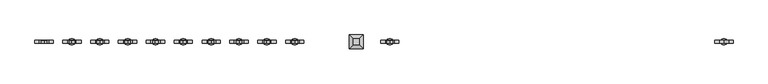
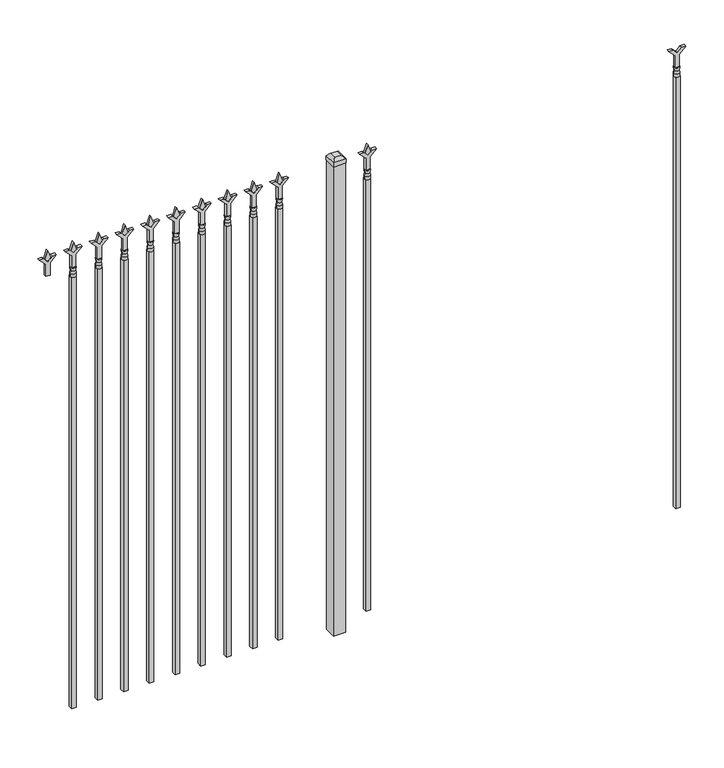
"""IFC4 building model written with IfcOpenShell, lengths in millimetres: railing geometry."""

from ifc_helpers import new_model, si_unit, frame, origin, origin_with_axes, place, context, project, spatial, polyline, circle_curve, outline, extrude, faceted_brep, source, transform, mapped, element, save
from ifc_brep_helpers import plane_surface, cylinder_surface, revolved_surface, advanced_brep


def railing_7ff1a3d9(model_context):
    return source(origin(), model_context, "Body", "SolidModel", [
        extrude(outline(polyline([(2022.475, -58318.749337), (2076.7457378, -58318.749337), (2103.9355122, -58291.5595625), (2103.9355122, -58309.5200747), (2085.975, -58327.480587), (2103.9355122, -58345.4410992), (2103.9355122, -58363.4016114), (2076.7457378, -58336.211837), (2022.475, -58336.211837), (2022.475, -58318.749337)])), frame((0.0, -6737.6070174, 0.0), z_axis=(0.0, 1.0, 0.0), x_axis=(0.0, 0.0, 1.0)), (0.0, 0.0, 1.0), 12.7),
        advanced_brep(
        [(-58315.574337, -6731.2570174, 1993.9), (-58339.386837, -6731.2570174, 1993.9), (-58339.386837, -6731.2570174, 1981.2), (-58315.574337, -6731.2570174, 1981.2), (-58317.7796688, -6731.2570174, 2006.4070585), (-58337.1815051, -6731.2570174, 2006.4070585), (-58315.574337, -6731.2570174, 2022.475), (-58339.386837, -6731.2570174, 2022.475), (-58327.480587, -6731.2570174, 2022.475), (-58327.480587, -6731.2570174, 1981.2)],
        [
            (0, 1, circle_curve(frame((-58327.480587, -6731.2570174, 1993.9), z_axis=(0.0, 0.0, -1.0), x_axis=(-1.0, 0.0, 0.0)), 11.90625)),
            (1, 2),
            (2, 3, circle_curve(frame((-58327.480587, -6731.2570174, 1981.2), z_axis=(0.0, 0.0, 1.0), x_axis=(-1.0, 0.0, 0.0)), 11.90625)),
            (3, 0),
            (1, 0, circle_curve(frame((-58327.480587, -6731.2570174, 1993.9), z_axis=(0.0, 0.0, -1.0), x_axis=(-1.0, 0.0, 0.0)), 11.90625)),
            (3, 2, circle_curve(frame((-58327.480587, -6731.2570174, 1981.2), z_axis=(0.0, 0.0, 1.0), x_axis=(-1.0, 0.0, 0.0)), 11.90625)),
            (4, 5, circle_curve(frame((-58327.480587, -6731.2570174, 2006.4070585), z_axis=(0.0, 0.0, -1.0), x_axis=(-1.0, 0.0, 0.0)), 9.7009181)),
            (5, 1),
            (0, 4),
            (5, 4, circle_curve(frame((-58327.480587, -6731.2570174, 2006.4070585), z_axis=(0.0, 0.0, -1.0), x_axis=(-1.0, 0.0, 0.0)), 9.7009181)),
            (6, 7, circle_curve(frame((-58327.480587, -6731.2570174, 2022.475), z_axis=(0.0, 0.0, -1.0), x_axis=(-1.0, 0.0, 0.0)), 11.90625)),
            (7, 5),
            (4, 6),
            (7, 6, circle_curve(frame((-58327.480587, -6731.2570174, 2022.475), z_axis=(0.0, 0.0, -1.0), x_axis=(-1.0, 0.0, 0.0)), 11.90625)),
            (8, 7),
            (6, 8),
            (2, 9),
            (9, 3),
        ],
        [
            cylinder_surface(frame((-58327.480587, -6731.2570174, 1981.2), z_axis=(0.0, 0.0, 1.0), x_axis=(-1.0, 0.0, 0.0)), 11.90625),
            revolved_surface(polyline([(-58339.386837, -6731.2570174, 1993.9), (-58337.1815051, -6731.2570174, 2006.4070585)]), (-58327.480587, -6731.2570174, 1981.2), (0.0, 0.0, 1.0)),
            revolved_surface(polyline([(-58337.1815051, -6731.2570174, 2006.4070585), (-58339.386837, -6731.2570174, 2022.475)]), (-58327.480587, -6731.2570174, 1981.2), (0.0, 0.0, 1.0)),
            plane_surface(frame((-58327.480587, -6731.2570174, 2022.475), z_axis=(0.0, 0.0, 1.0), x_axis=(-1.0, 0.0, 0.0))),
            plane_surface(frame((-58327.480587, -6731.2570174, 1981.2), z_axis=(0.0, 0.0, -1.0), x_axis=(-1.0, 0.0, 0.0))),
        ],
        [
            (0, [[1, 2, 3, 4]]),
            (0, [[5, -4, 6, -2]]),
            (1, [[7, 8, -1, 9]]),
            (1, [[10, -9, -5, -8]]),
            (2, [[11, 12, -7, 13]]),
            (2, [[14, -13, -10, -12]]),
            (3, [[15, -11, 16]]),
            (3, [[-16, -14, -15]]),
            (4, [[-3, 17, 18]]),
            (4, [[-6, -18, -17]]),
        ],
    ),
        extrude(outline(polyline([(-58337.005587, -6721.7320174), (-58317.955587, -6721.7320174), (-58317.955587, -6740.7820174), (-58337.005587, -6740.7820174), (-58337.005587, -6721.7320174)])), frame((0.0, 0.0, 50.8), z_axis=(0.0, 0.0, 1.0), x_axis=(1.0, 0.0, 0.0)), (0.0, 0.0, 1.0), 1930.4),
        extrude(outline(polyline([(2097.88125, -59626.849337), (2133.6, -59638.755587), (2097.88125, -59650.661837), (2085.975, -59638.755587), (2097.88125, -59626.849337)])), frame((0.0, -6736.0195174, 0.0), z_axis=(0.0, 1.0, 0.0), x_axis=(0.0, 0.0, 1.0)), (0.0, 0.0, 1.0), 9.525),
        extrude(outline(polyline([(2022.475, -59630.024337), (2076.7457378, -59630.024337), (2103.9355122, -59602.8345625), (2103.9355122, -59620.7950747), (2085.975, -59638.755587), (2103.9355122, -59656.7160992), (2103.9355122, -59674.6766114), (2076.7457378, -59647.486837), (2022.475, -59647.486837), (2022.475, -59630.024337)])), frame((0.0, -6737.6070174, 0.0), z_axis=(0.0, 1.0, 0.0), x_axis=(0.0, 0.0, 1.0)), (0.0, 0.0, 1.0), 12.7),
        advanced_brep(
        [(-59626.849337, -6731.2570174, 1993.9), (-59650.661837, -6731.2570174, 1993.9), (-59650.661837, -6731.2570174, 1981.2), (-59626.849337, -6731.2570174, 1981.2), (-59629.0546688, -6731.2570174, 2006.4070585), (-59648.4565051, -6731.2570174, 2006.4070585), (-59626.849337, -6731.2570174, 2022.475), (-59650.661837, -6731.2570174, 2022.475), (-59638.755587, -6731.2570174, 2022.475), (-59638.755587, -6731.2570174, 1981.2)],
        [
            (0, 1, circle_curve(frame((-59638.755587, -6731.2570174, 1993.9), z_axis=(0.0, 0.0, -1.0), x_axis=(-1.0, 0.0, 0.0)), 11.90625)),
            (1, 2),
            (2, 3, circle_curve(frame((-59638.755587, -6731.2570174, 1981.2), z_axis=(0.0, 0.0, 1.0), x_axis=(-1.0, 0.0, 0.0)), 11.90625)),
            (3, 0),
            (1, 0, circle_curve(frame((-59638.755587, -6731.2570174, 1993.9), z_axis=(0.0, 0.0, -1.0), x_axis=(-1.0, 0.0, 0.0)), 11.90625)),
            (3, 2, circle_curve(frame((-59638.755587, -6731.2570174, 1981.2), z_axis=(0.0, 0.0, 1.0), x_axis=(-1.0, 0.0, 0.0)), 11.90625)),
            (4, 5, circle_curve(frame((-59638.755587, -6731.2570174, 2006.4070585), z_axis=(0.0, 0.0, -1.0), x_axis=(-1.0, 0.0, 0.0)), 9.7009181)),
            (5, 1),
            (0, 4),
            (5, 4, circle_curve(frame((-59638.755587, -6731.2570174, 2006.4070585), z_axis=(0.0, 0.0, -1.0), x_axis=(-1.0, 0.0, 0.0)), 9.7009181)),
            (6, 7, circle_curve(frame((-59638.755587, -6731.2570174, 2022.475), z_axis=(0.0, 0.0, -1.0), x_axis=(-1.0, 0.0, 0.0)), 11.90625)),
            (7, 5),
            (4, 6),
            (7, 6, circle_curve(frame((-59638.755587, -6731.2570174, 2022.475), z_axis=(0.0, 0.0, -1.0), x_axis=(-1.0, 0.0, 0.0)), 11.90625)),
            (8, 7),
            (6, 8),
            (2, 9),
            (9, 3),
        ],
        [
            cylinder_surface(frame((-59638.755587, -6731.2570174, 1981.2), z_axis=(0.0, 0.0, 1.0), x_axis=(-1.0, 0.0, 0.0)), 11.90625),
            revolved_surface(polyline([(-59650.661837, -6731.2570174, 1993.9), (-59648.4565051, -6731.2570174, 2006.4070585)]), (-59638.755587, -6731.2570174, 1981.2), (0.0, 0.0, 1.0)),
            revolved_surface(polyline([(-59648.4565051, -6731.2570174, 2006.4070585), (-59650.661837, -6731.2570174, 2022.475)]), (-59638.755587, -6731.2570174, 1981.2), (0.0, 0.0, 1.0)),
            plane_surface(frame((-59638.755587, -6731.2570174, 2022.475), z_axis=(0.0, 0.0, 1.0), x_axis=(-1.0, 0.0, 0.0))),
            plane_surface(frame((-59638.755587, -6731.2570174, 1981.2), z_axis=(0.0, 0.0, -1.0), x_axis=(-1.0, 0.0, 0.0))),
        ],
        [
            (0, [[1, 2, 3, 4]]),
            (0, [[5, -4, 6, -2]]),
            (1, [[7, 8, -1, 9]]),
            (1, [[10, -9, -5, -8]]),
            (2, [[11, 12, -7, 13]]),
            (2, [[14, -13, -10, -12]]),
            (3, [[15, -11, 16]]),
            (3, [[-16, -14, -15]]),
            (4, [[-3, 17, 18]]),
            (4, [[-6, -18, -17]]),
        ],
    ),
        extrude(outline(polyline([(-59648.280587, -6721.7320174), (-59629.230587, -6721.7320174), (-59629.230587, -6740.7820174), (-59648.280587, -6740.7820174), (-59648.280587, -6721.7320174)])), frame((0.0, 0.0, 50.8), z_axis=(0.0, 0.0, 1.0), x_axis=(1.0, 0.0, 0.0)), (0.0, 0.0, 1.0), 1930.4),
        extrude(outline(polyline([(-59745.118087, -6705.8570174), (-59745.118087, -6756.6570174), (-59795.918087, -6756.6570174), (-59795.918087, -6705.8570174), (-59745.118087, -6705.8570174)])), origin_with_axes(), (0.0, 0.0, 1.0), 2101.85),
        faceted_brep([(-59797.505587, -6704.2695174, 2120.9), (-59797.505587, -6704.2695174, 2101.85), (-59797.505587, -6758.2445174, 2101.85), (-59797.505587, -6758.2445174, 2120.9), (-59784.805587, -6716.9695174, 2133.6), (-59784.805587, -6745.5445174, 2133.6), (-59743.530587, -6758.2445174, 2101.85), (-59743.530587, -6758.2445174, 2120.9), (-59756.230587, -6745.5445174, 2133.6), (-59743.530587, -6704.2695174, 2101.85), (-59743.530587, -6704.2695174, 2120.9), (-59756.230587, -6716.9695174, 2133.6)], [[[0, 1, 2, 3]], [[4, 0, 3, 5]], [[3, 2, 6, 7]], [[5, 3, 7, 8]], [[7, 6, 9, 10]], [[8, 7, 10, 11]], [[10, 9, 1, 0]], [[11, 10, 0, 4]], [[5, 8, 11, 4]], [[1, 9, 6, 2]]]),
        extrude(outline(polyline([(2097.88125, -59999.6472536), (2133.6, -60011.5535036), (2097.88125, -60023.4597536), (2085.975, -60011.5535036), (2097.88125, -59999.6472536)])), frame((0.0, -6736.0195174, 0.0), z_axis=(0.0, 1.0, 0.0), x_axis=(0.0, 0.0, 1.0)), (0.0, 0.0, 1.0), 9.525),
        extrude(outline(polyline([(2022.475, -60002.8222536), (2076.7457378, -60002.8222536), (2103.9355122, -59975.6324791), (2103.9355122, -59993.5929914), (2085.975, -60011.5535036), (2103.9355122, -60029.5140159), (2103.9355122, -60047.4745281), (2076.7457378, -60020.2847536), (2022.475, -60020.2847536), (2022.475, -60002.8222536)])), frame((0.0, -6737.6070174, 0.0), z_axis=(0.0, 1.0, 0.0), x_axis=(0.0, 0.0, 1.0)), (0.0, 0.0, 1.0), 12.7),
        advanced_brep(
        [(-59999.6472536, -6731.2570174, 1993.9), (-60023.4597536, -6731.2570174, 1993.9), (-60023.4597536, -6731.2570174, 1981.2), (-59999.6472536, -6731.2570174, 1981.2), (-60001.8525855, -6731.2570174, 2006.4070585), (-60021.2544218, -6731.2570174, 2006.4070585), (-59999.6472536, -6731.2570174, 2022.475), (-60023.4597536, -6731.2570174, 2022.475), (-60011.5535036, -6731.2570174, 2022.475), (-60011.5535036, -6731.2570174, 1981.2)],
        [
            (0, 1, circle_curve(frame((-60011.5535036, -6731.2570174, 1993.9), z_axis=(0.0, 0.0, -1.0), x_axis=(-1.0, 0.0, 0.0)), 11.90625)),
            (1, 2),
            (2, 3, circle_curve(frame((-60011.5535036, -6731.2570174, 1981.2), z_axis=(0.0, 0.0, 1.0), x_axis=(-1.0, 0.0, 0.0)), 11.90625)),
            (3, 0),
            (1, 0, circle_curve(frame((-60011.5535036, -6731.2570174, 1993.9), z_axis=(0.0, 0.0, -1.0), x_axis=(-1.0, 0.0, 0.0)), 11.90625)),
            (3, 2, circle_curve(frame((-60011.5535036, -6731.2570174, 1981.2), z_axis=(0.0, 0.0, 1.0), x_axis=(-1.0, 0.0, 0.0)), 11.90625)),
            (4, 5, circle_curve(frame((-60011.5535036, -6731.2570174, 2006.4070585), z_axis=(0.0, 0.0, -1.0), x_axis=(-1.0, 0.0, 0.0)), 9.7009181)),
            (5, 1),
            (0, 4),
            (5, 4, circle_curve(frame((-60011.5535036, -6731.2570174, 2006.4070585), z_axis=(0.0, 0.0, -1.0), x_axis=(-1.0, 0.0, 0.0)), 9.7009181)),
            (6, 7, circle_curve(frame((-60011.5535036, -6731.2570174, 2022.475), z_axis=(0.0, 0.0, -1.0), x_axis=(-1.0, 0.0, 0.0)), 11.90625)),
            (7, 5),
            (4, 6),
            (7, 6, circle_curve(frame((-60011.5535036, -6731.2570174, 2022.475), z_axis=(0.0, 0.0, -1.0), x_axis=(-1.0, 0.0, 0.0)), 11.90625)),
            (8, 7),
            (6, 8),
            (2, 9),
            (9, 3),
        ],
        [
            cylinder_surface(frame((-60011.5535036, -6731.2570174, 1981.2), z_axis=(0.0, 0.0, 1.0), x_axis=(-1.0, 0.0, 0.0)), 11.90625),
            revolved_surface(polyline([(-60023.4597536, -6731.2570174, 1993.9), (-60021.2544218, -6731.2570174, 2006.4070585)]), (-60011.5535036, -6731.2570174, 1981.2), (0.0, 0.0, 1.0)),
            revolved_surface(polyline([(-60021.2544218, -6731.2570174, 2006.4070585), (-60023.4597536, -6731.2570174, 2022.475)]), (-60011.5535036, -6731.2570174, 1981.2), (0.0, 0.0, 1.0)),
            plane_surface(frame((-60011.5535036, -6731.2570174, 2022.475), z_axis=(0.0, 0.0, 1.0), x_axis=(-1.0, 0.0, 0.0))),
            plane_surface(frame((-60011.5535036, -6731.2570174, 1981.2), z_axis=(0.0, 0.0, -1.0), x_axis=(-1.0, 0.0, 0.0))),
        ],
        [
            (0, [[1, 2, 3, 4]]),
            (0, [[5, -4, 6, -2]]),
            (1, [[7, 8, -1, 9]]),
            (1, [[10, -9, -5, -8]]),
            (2, [[11, 12, -7, 13]]),
            (2, [[14, -13, -10, -12]]),
            (3, [[15, -11, 16]]),
            (3, [[-16, -14, -15]]),
            (4, [[-3, 17, 18]]),
            (4, [[-6, -18, -17]]),
        ],
    ),
        extrude(outline(polyline([(-60021.0785036, -6721.7320174), (-60002.0285036, -6721.7320174), (-60002.0285036, -6740.7820174), (-60021.0785036, -6740.7820174), (-60021.0785036, -6721.7320174)])), frame((0.0, 0.0, 50.8), z_axis=(0.0, 0.0, 1.0), x_axis=(1.0, 0.0, 0.0)), (0.0, 0.0, 1.0), 1930.4),
        extrude(outline(polyline([(2097.88125, -60108.9201703), (2133.6, -60120.8264203), (2097.88125, -60132.7326703), (2085.975, -60120.8264203), (2097.88125, -60108.9201703)])), frame((0.0, -6736.0195174, 0.0), z_axis=(0.0, 1.0, 0.0), x_axis=(0.0, 0.0, 1.0)), (0.0, 0.0, 1.0), 9.525),
        extrude(outline(polyline([(2022.475, -60112.0951703), (2076.7457378, -60112.0951703), (2103.9355122, -60084.9053958), (2103.9355122, -60102.8659081), (2085.975, -60120.8264203), (2103.9355122, -60138.7869325), (2103.9355122, -60156.7474448), (2076.7457378, -60129.5576703), (2022.475, -60129.5576703), (2022.475, -60112.0951703)])), frame((0.0, -6737.6070174, 0.0), z_axis=(0.0, 1.0, 0.0), x_axis=(0.0, 0.0, 1.0)), (0.0, 0.0, 1.0), 12.7),
        advanced_brep(
        [(-60108.9201703, -6731.2570174, 1993.9), (-60132.7326703, -6731.2570174, 1993.9), (-60132.7326703, -6731.2570174, 1981.2), (-60108.9201703, -6731.2570174, 1981.2), (-60111.1255022, -6731.2570174, 2006.4070585), (-60130.5273384, -6731.2570174, 2006.4070585), (-60108.9201703, -6731.2570174, 2022.475), (-60132.7326703, -6731.2570174, 2022.475), (-60120.8264203, -6731.2570174, 2022.475), (-60120.8264203, -6731.2570174, 1981.2)],
        [
            (0, 1, circle_curve(frame((-60120.8264203, -6731.2570174, 1993.9), z_axis=(0.0, 0.0, -1.0), x_axis=(-1.0, 0.0, 0.0)), 11.90625)),
            (1, 2),
            (2, 3, circle_curve(frame((-60120.8264203, -6731.2570174, 1981.2), z_axis=(0.0, 0.0, 1.0), x_axis=(-1.0, 0.0, 0.0)), 11.90625)),
            (3, 0),
            (1, 0, circle_curve(frame((-60120.8264203, -6731.2570174, 1993.9), z_axis=(0.0, 0.0, -1.0), x_axis=(-1.0, 0.0, 0.0)), 11.90625)),
            (3, 2, circle_curve(frame((-60120.8264203, -6731.2570174, 1981.2), z_axis=(0.0, 0.0, 1.0), x_axis=(-1.0, 0.0, 0.0)), 11.90625)),
            (4, 5, circle_curve(frame((-60120.8264203, -6731.2570174, 2006.4070585), z_axis=(0.0, 0.0, -1.0), x_axis=(-1.0, 0.0, 0.0)), 9.7009181)),
            (5, 1),
            (0, 4),
            (5, 4, circle_curve(frame((-60120.8264203, -6731.2570174, 2006.4070585), z_axis=(0.0, 0.0, -1.0), x_axis=(-1.0, 0.0, 0.0)), 9.7009181)),
            (6, 7, circle_curve(frame((-60120.8264203, -6731.2570174, 2022.475), z_axis=(0.0, 0.0, -1.0), x_axis=(-1.0, 0.0, 0.0)), 11.90625)),
            (7, 5),
            (4, 6),
            (7, 6, circle_curve(frame((-60120.8264203, -6731.2570174, 2022.475), z_axis=(0.0, 0.0, -1.0), x_axis=(-1.0, 0.0, 0.0)), 11.90625)),
            (8, 7),
            (6, 8),
            (2, 9),
            (9, 3),
        ],
        [
            cylinder_surface(frame((-60120.8264203, -6731.2570174, 1981.2), z_axis=(0.0, 0.0, 1.0), x_axis=(-1.0, 0.0, 0.0)), 11.90625),
            revolved_surface(polyline([(-60132.7326703, -6731.2570174, 1993.9), (-60130.5273384, -6731.2570174, 2006.4070585)]), (-60120.8264203, -6731.2570174, 1981.2), (0.0, 0.0, 1.0)),
            revolved_surface(polyline([(-60130.5273384, -6731.2570174, 2006.4070585), (-60132.7326703, -6731.2570174, 2022.475)]), (-60120.8264203, -6731.2570174, 1981.2), (0.0, 0.0, 1.0)),
            plane_surface(frame((-60120.8264203, -6731.2570174, 2022.475), z_axis=(0.0, 0.0, 1.0), x_axis=(-1.0, 0.0, 0.0))),
            plane_surface(frame((-60120.8264203, -6731.2570174, 1981.2), z_axis=(0.0, 0.0, -1.0), x_axis=(-1.0, 0.0, 0.0))),
        ],
        [
            (0, [[1, 2, 3, 4]]),
            (0, [[5, -4, 6, -2]]),
            (1, [[7, 8, -1, 9]]),
            (1, [[10, -9, -5, -8]]),
            (2, [[11, 12, -7, 13]]),
            (2, [[14, -13, -10, -12]]),
            (3, [[15, -11, 16]]),
            (3, [[-16, -14, -15]]),
            (4, [[-3, 17, 18]]),
            (4, [[-6, -18, -17]]),
        ],
    ),
        extrude(outline(polyline([(-60130.3514203, -6721.7320174), (-60111.3014203, -6721.7320174), (-60111.3014203, -6740.7820174), (-60130.3514203, -6740.7820174), (-60130.3514203, -6721.7320174)])), frame((0.0, 0.0, 50.8), z_axis=(0.0, 0.0, 1.0), x_axis=(1.0, 0.0, 0.0)), (0.0, 0.0, 1.0), 1930.4),
        extrude(outline(polyline([(2097.88125, -60218.193087), (2133.6, -60230.099337), (2097.88125, -60242.005587), (2085.975, -60230.099337), (2097.88125, -60218.193087)])), frame((0.0, -6736.0195174, 0.0), z_axis=(0.0, 1.0, 0.0), x_axis=(0.0, 0.0, 1.0)), (0.0, 0.0, 1.0), 9.525),
        extrude(outline(polyline([(2022.475, -60221.368087), (2076.7457378, -60221.368087), (2103.9355122, -60194.1783125), (2103.9355122, -60212.1388247), (2085.975, -60230.099337), (2103.9355122, -60248.0598492), (2103.9355122, -60266.0203614), (2076.7457378, -60238.830587), (2022.475, -60238.830587), (2022.475, -60221.368087)])), frame((0.0, -6737.6070174, 0.0), z_axis=(0.0, 1.0, 0.0), x_axis=(0.0, 0.0, 1.0)), (0.0, 0.0, 1.0), 12.7),
        advanced_brep(
        [(-60218.193087, -6731.2570174, 1993.9), (-60242.005587, -6731.2570174, 1993.9), (-60242.005587, -6731.2570174, 1981.2), (-60218.193087, -6731.2570174, 1981.2), (-60220.3984188, -6731.2570174, 2006.4070585), (-60239.8002551, -6731.2570174, 2006.4070585), (-60218.193087, -6731.2570174, 2022.475), (-60242.005587, -6731.2570174, 2022.475), (-60230.099337, -6731.2570174, 2022.475), (-60230.099337, -6731.2570174, 1981.2)],
        [
            (0, 1, circle_curve(frame((-60230.099337, -6731.2570174, 1993.9), z_axis=(0.0, 0.0, -1.0), x_axis=(-1.0, 0.0, 0.0)), 11.90625)),
            (1, 2),
            (2, 3, circle_curve(frame((-60230.099337, -6731.2570174, 1981.2), z_axis=(0.0, 0.0, 1.0), x_axis=(-1.0, 0.0, 0.0)), 11.90625)),
            (3, 0),
            (1, 0, circle_curve(frame((-60230.099337, -6731.2570174, 1993.9), z_axis=(0.0, 0.0, -1.0), x_axis=(-1.0, 0.0, 0.0)), 11.90625)),
            (3, 2, circle_curve(frame((-60230.099337, -6731.2570174, 1981.2), z_axis=(0.0, 0.0, 1.0), x_axis=(-1.0, 0.0, 0.0)), 11.90625)),
            (4, 5, circle_curve(frame((-60230.099337, -6731.2570174, 2006.4070585), z_axis=(0.0, 0.0, -1.0), x_axis=(-1.0, 0.0, 0.0)), 9.7009181)),
            (5, 1),
            (0, 4),
            (5, 4, circle_curve(frame((-60230.099337, -6731.2570174, 2006.4070585), z_axis=(0.0, 0.0, -1.0), x_axis=(-1.0, 0.0, 0.0)), 9.7009181)),
            (6, 7, circle_curve(frame((-60230.099337, -6731.2570174, 2022.475), z_axis=(0.0, 0.0, -1.0), x_axis=(-1.0, 0.0, 0.0)), 11.90625)),
            (7, 5),
            (4, 6),
            (7, 6, circle_curve(frame((-60230.099337, -6731.2570174, 2022.475), z_axis=(0.0, 0.0, -1.0), x_axis=(-1.0, 0.0, 0.0)), 11.90625)),
            (8, 7),
            (6, 8),
            (2, 9),
            (9, 3),
        ],
        [
            cylinder_surface(frame((-60230.099337, -6731.2570174, 1981.2), z_axis=(0.0, 0.0, 1.0), x_axis=(-1.0, 0.0, 0.0)), 11.90625),
            revolved_surface(polyline([(-60242.005587, -6731.2570174, 1993.9), (-60239.8002551, -6731.2570174, 2006.4070585)]), (-60230.099337, -6731.2570174, 1981.2), (0.0, 0.0, 1.0)),
            revolved_surface(polyline([(-60239.8002551, -6731.2570174, 2006.4070585), (-60242.005587, -6731.2570174, 2022.475)]), (-60230.099337, -6731.2570174, 1981.2), (0.0, 0.0, 1.0)),
            plane_surface(frame((-60230.099337, -6731.2570174, 2022.475), z_axis=(0.0, 0.0, 1.0), x_axis=(-1.0, 0.0, 0.0))),
            plane_surface(frame((-60230.099337, -6731.2570174, 1981.2), z_axis=(0.0, 0.0, -1.0), x_axis=(-1.0, 0.0, 0.0))),
        ],
        [
            (0, [[1, 2, 3, 4]]),
            (0, [[5, -4, 6, -2]]),
            (1, [[7, 8, -1, 9]]),
            (1, [[10, -9, -5, -8]]),
            (2, [[11, 12, -7, 13]]),
            (2, [[14, -13, -10, -12]]),
            (3, [[15, -11, 16]]),
            (3, [[-16, -14, -15]]),
            (4, [[-3, 17, 18]]),
            (4, [[-6, -18, -17]]),
        ],
    ),
        extrude(outline(polyline([(-60239.624337, -6721.7320174), (-60220.574337, -6721.7320174), (-60220.574337, -6740.7820174), (-60239.624337, -6740.7820174), (-60239.624337, -6721.7320174)])), frame((0.0, 0.0, 50.8), z_axis=(0.0, 0.0, 1.0), x_axis=(1.0, 0.0, 0.0)), (0.0, 0.0, 1.0), 1930.4),
        extrude(outline(polyline([(2097.88125, -60327.4660036), (2133.6, -60339.3722536), (2097.88125, -60351.2785036), (2085.975, -60339.3722536), (2097.88125, -60327.4660036)])), frame((0.0, -6736.0195174, 0.0), z_axis=(0.0, 1.0, 0.0), x_axis=(0.0, 0.0, 1.0)), (0.0, 0.0, 1.0), 9.525),
        extrude(outline(polyline([(2022.475, -60330.6410036), (2076.7457378, -60330.6410036), (2103.9355122, -60303.4512291), (2103.9355122, -60321.4117414), (2085.975, -60339.3722536), (2103.9355122, -60357.3327659), (2103.9355122, -60375.2932781), (2076.7457378, -60348.1035036), (2022.475, -60348.1035036), (2022.475, -60330.6410036)])), frame((0.0, -6737.6070174, 0.0), z_axis=(0.0, 1.0, 0.0), x_axis=(0.0, 0.0, 1.0)), (0.0, 0.0, 1.0), 12.7),
        advanced_brep(
        [(-60327.4660036, -6731.2570174, 1993.9), (-60351.2785036, -6731.2570174, 1993.9), (-60351.2785036, -6731.2570174, 1981.2), (-60327.4660036, -6731.2570174, 1981.2), (-60329.6713355, -6731.2570174, 2006.4070585), (-60349.0731718, -6731.2570174, 2006.4070585), (-60327.4660036, -6731.2570174, 2022.475), (-60351.2785036, -6731.2570174, 2022.475), (-60339.3722536, -6731.2570174, 2022.475), (-60339.3722536, -6731.2570174, 1981.2)],
        [
            (0, 1, circle_curve(frame((-60339.3722536, -6731.2570174, 1993.9), z_axis=(0.0, 0.0, -1.0), x_axis=(-1.0, 0.0, 0.0)), 11.90625)),
            (1, 2),
            (2, 3, circle_curve(frame((-60339.3722536, -6731.2570174, 1981.2), z_axis=(0.0, 0.0, 1.0), x_axis=(-1.0, 0.0, 0.0)), 11.90625)),
            (3, 0),
            (1, 0, circle_curve(frame((-60339.3722536, -6731.2570174, 1993.9), z_axis=(0.0, 0.0, -1.0), x_axis=(-1.0, 0.0, 0.0)), 11.90625)),
            (3, 2, circle_curve(frame((-60339.3722536, -6731.2570174, 1981.2), z_axis=(0.0, 0.0, 1.0), x_axis=(-1.0, 0.0, 0.0)), 11.90625)),
            (4, 5, circle_curve(frame((-60339.3722536, -6731.2570174, 2006.4070585), z_axis=(0.0, 0.0, -1.0), x_axis=(-1.0, 0.0, 0.0)), 9.7009181)),
            (5, 1),
            (0, 4),
            (5, 4, circle_curve(frame((-60339.3722536, -6731.2570174, 2006.4070585), z_axis=(0.0, 0.0, -1.0), x_axis=(-1.0, 0.0, 0.0)), 9.7009181)),
            (6, 7, circle_curve(frame((-60339.3722536, -6731.2570174, 2022.475), z_axis=(0.0, 0.0, -1.0), x_axis=(-1.0, 0.0, 0.0)), 11.90625)),
            (7, 5),
            (4, 6),
            (7, 6, circle_curve(frame((-60339.3722536, -6731.2570174, 2022.475), z_axis=(0.0, 0.0, -1.0), x_axis=(-1.0, 0.0, 0.0)), 11.90625)),
            (8, 7),
            (6, 8),
            (2, 9),
            (9, 3),
        ],
        [
            cylinder_surface(frame((-60339.3722536, -6731.2570174, 1981.2), z_axis=(0.0, 0.0, 1.0), x_axis=(-1.0, 0.0, 0.0)), 11.90625),
            revolved_surface(polyline([(-60351.2785036, -6731.2570174, 1993.9), (-60349.0731718, -6731.2570174, 2006.4070585)]), (-60339.3722536, -6731.2570174, 1981.2), (0.0, 0.0, 1.0)),
            revolved_surface(polyline([(-60349.0731718, -6731.2570174, 2006.4070585), (-60351.2785036, -6731.2570174, 2022.475)]), (-60339.3722536, -6731.2570174, 1981.2), (0.0, 0.0, 1.0)),
            plane_surface(frame((-60339.3722536, -6731.2570174, 2022.475), z_axis=(0.0, 0.0, 1.0), x_axis=(-1.0, 0.0, 0.0))),
            plane_surface(frame((-60339.3722536, -6731.2570174, 1981.2), z_axis=(0.0, 0.0, -1.0), x_axis=(-1.0, 0.0, 0.0))),
        ],
        [
            (0, [[1, 2, 3, 4]]),
            (0, [[5, -4, 6, -2]]),
            (1, [[7, 8, -1, 9]]),
            (1, [[10, -9, -5, -8]]),
            (2, [[11, 12, -7, 13]]),
            (2, [[14, -13, -10, -12]]),
            (3, [[15, -11, 16]]),
            (3, [[-16, -14, -15]]),
            (4, [[-3, 17, 18]]),
            (4, [[-6, -18, -17]]),
        ],
    ),
        extrude(outline(polyline([(-60348.8972536, -6721.7320174), (-60329.8472536, -6721.7320174), (-60329.8472536, -6740.7820174), (-60348.8972536, -6740.7820174), (-60348.8972536, -6721.7320174)])), frame((0.0, 0.0, 50.8), z_axis=(0.0, 0.0, 1.0), x_axis=(1.0, 0.0, 0.0)), (0.0, 0.0, 1.0), 1930.4),
        extrude(outline(polyline([(2097.88125, -60436.7389203), (2133.6, -60448.6451703), (2097.88125, -60460.5514203), (2085.975, -60448.6451703), (2097.88125, -60436.7389203)])), frame((0.0, -6736.0195174, 0.0), z_axis=(0.0, 1.0, 0.0), x_axis=(0.0, 0.0, 1.0)), (0.0, 0.0, 1.0), 9.525),
        extrude(outline(polyline([(2022.475, -60439.9139203), (2076.7457378, -60439.9139203), (2103.9355122, -60412.7241458), (2103.9355122, -60430.6846581), (2085.975, -60448.6451703), (2103.9355122, -60466.6056825), (2103.9355122, -60484.5661948), (2076.7457378, -60457.3764203), (2022.475, -60457.3764203), (2022.475, -60439.9139203)])), frame((0.0, -6737.6070174, 0.0), z_axis=(0.0, 1.0, 0.0), x_axis=(0.0, 0.0, 1.0)), (0.0, 0.0, 1.0), 12.7),
        advanced_brep(
        [(-60436.7389203, -6731.2570174, 1993.9), (-60460.5514203, -6731.2570174, 1993.9), (-60460.5514203, -6731.2570174, 1981.2), (-60436.7389203, -6731.2570174, 1981.2), (-60438.9442522, -6731.2570174, 2006.4070585), (-60458.3460884, -6731.2570174, 2006.4070585), (-60436.7389203, -6731.2570174, 2022.475), (-60460.5514203, -6731.2570174, 2022.475), (-60448.6451703, -6731.2570174, 2022.475), (-60448.6451703, -6731.2570174, 1981.2)],
        [
            (0, 1, circle_curve(frame((-60448.6451703, -6731.2570174, 1993.9), z_axis=(0.0, 0.0, -1.0), x_axis=(-1.0, 0.0, 0.0)), 11.90625)),
            (1, 2),
            (2, 3, circle_curve(frame((-60448.6451703, -6731.2570174, 1981.2), z_axis=(0.0, 0.0, 1.0), x_axis=(-1.0, 0.0, 0.0)), 11.90625)),
            (3, 0),
            (1, 0, circle_curve(frame((-60448.6451703, -6731.2570174, 1993.9), z_axis=(0.0, 0.0, -1.0), x_axis=(-1.0, 0.0, 0.0)), 11.90625)),
            (3, 2, circle_curve(frame((-60448.6451703, -6731.2570174, 1981.2), z_axis=(0.0, 0.0, 1.0), x_axis=(-1.0, 0.0, 0.0)), 11.90625)),
            (4, 5, circle_curve(frame((-60448.6451703, -6731.2570174, 2006.4070585), z_axis=(0.0, 0.0, -1.0), x_axis=(-1.0, 0.0, 0.0)), 9.7009181)),
            (5, 1),
            (0, 4),
            (5, 4, circle_curve(frame((-60448.6451703, -6731.2570174, 2006.4070585), z_axis=(0.0, 0.0, -1.0), x_axis=(-1.0, 0.0, 0.0)), 9.7009181)),
            (6, 7, circle_curve(frame((-60448.6451703, -6731.2570174, 2022.475), z_axis=(0.0, 0.0, -1.0), x_axis=(-1.0, 0.0, 0.0)), 11.90625)),
            (7, 5),
            (4, 6),
            (7, 6, circle_curve(frame((-60448.6451703, -6731.2570174, 2022.475), z_axis=(0.0, 0.0, -1.0), x_axis=(-1.0, 0.0, 0.0)), 11.90625)),
            (8, 7),
            (6, 8),
            (2, 9),
            (9, 3),
        ],
        [
            cylinder_surface(frame((-60448.6451703, -6731.2570174, 1981.2), z_axis=(0.0, 0.0, 1.0), x_axis=(-1.0, 0.0, 0.0)), 11.90625),
            revolved_surface(polyline([(-60460.5514203, -6731.2570174, 1993.9), (-60458.3460884, -6731.2570174, 2006.4070585)]), (-60448.6451703, -6731.2570174, 1981.2), (0.0, 0.0, 1.0)),
            revolved_surface(polyline([(-60458.3460884, -6731.2570174, 2006.4070585), (-60460.5514203, -6731.2570174, 2022.475)]), (-60448.6451703, -6731.2570174, 1981.2), (0.0, 0.0, 1.0)),
            plane_surface(frame((-60448.6451703, -6731.2570174, 2022.475), z_axis=(0.0, 0.0, 1.0), x_axis=(-1.0, 0.0, 0.0))),
            plane_surface(frame((-60448.6451703, -6731.2570174, 1981.2), z_axis=(0.0, 0.0, -1.0), x_axis=(-1.0, 0.0, 0.0))),
        ],
        [
            (0, [[1, 2, 3, 4]]),
            (0, [[5, -4, 6, -2]]),
            (1, [[7, 8, -1, 9]]),
            (1, [[10, -9, -5, -8]]),
            (2, [[11, 12, -7, 13]]),
            (2, [[14, -13, -10, -12]]),
            (3, [[15, -11, 16]]),
            (3, [[-16, -14, -15]]),
            (4, [[-3, 17, 18]]),
            (4, [[-6, -18, -17]]),
        ],
    ),
        extrude(outline(polyline([(-60458.1701703, -6721.7320174), (-60439.1201703, -6721.7320174), (-60439.1201703, -6740.7820174), (-60458.1701703, -6740.7820174), (-60458.1701703, -6721.7320174)])), frame((0.0, 0.0, 50.8), z_axis=(0.0, 0.0, 1.0), x_axis=(1.0, 0.0, 0.0)), (0.0, 0.0, 1.0), 1930.4),
        extrude(outline(polyline([(2097.88125, -60546.011837), (2133.6, -60557.918087), (2097.88125, -60569.824337), (2085.975, -60557.918087), (2097.88125, -60546.011837)])), frame((0.0, -6736.0195174, 0.0), z_axis=(0.0, 1.0, 0.0), x_axis=(0.0, 0.0, 1.0)), (0.0, 0.0, 1.0), 9.525),
        extrude(outline(polyline([(2022.475, -60549.186837), (2076.7457378, -60549.186837), (2103.9355122, -60521.9970625), (2103.9355122, -60539.9575747), (2085.975, -60557.918087), (2103.9355122, -60575.8785992), (2103.9355122, -60593.8391114), (2076.7457378, -60566.649337), (2022.475, -60566.649337), (2022.475, -60549.186837)])), frame((0.0, -6737.6070174, 0.0), z_axis=(0.0, 1.0, 0.0), x_axis=(0.0, 0.0, 1.0)), (0.0, 0.0, 1.0), 12.7),
        advanced_brep(
        [(-60546.011837, -6731.2570174, 1993.9), (-60569.824337, -6731.2570174, 1993.9), (-60569.824337, -6731.2570174, 1981.2), (-60546.011837, -6731.2570174, 1981.2), (-60548.2171688, -6731.2570174, 2006.4070585), (-60567.6190051, -6731.2570174, 2006.4070585), (-60546.011837, -6731.2570174, 2022.475), (-60569.824337, -6731.2570174, 2022.475), (-60557.918087, -6731.2570174, 2022.475), (-60557.918087, -6731.2570174, 1981.2)],
        [
            (0, 1, circle_curve(frame((-60557.918087, -6731.2570174, 1993.9), z_axis=(0.0, 0.0, -1.0), x_axis=(-1.0, 0.0, 0.0)), 11.90625)),
            (1, 2),
            (2, 3, circle_curve(frame((-60557.918087, -6731.2570174, 1981.2), z_axis=(0.0, 0.0, 1.0), x_axis=(-1.0, 0.0, 0.0)), 11.90625)),
            (3, 0),
            (1, 0, circle_curve(frame((-60557.918087, -6731.2570174, 1993.9), z_axis=(0.0, 0.0, -1.0), x_axis=(-1.0, 0.0, 0.0)), 11.90625)),
            (3, 2, circle_curve(frame((-60557.918087, -6731.2570174, 1981.2), z_axis=(0.0, 0.0, 1.0), x_axis=(-1.0, 0.0, 0.0)), 11.90625)),
            (4, 5, circle_curve(frame((-60557.918087, -6731.2570174, 2006.4070585), z_axis=(0.0, 0.0, -1.0), x_axis=(-1.0, 0.0, 0.0)), 9.7009181)),
            (5, 1),
            (0, 4),
            (5, 4, circle_curve(frame((-60557.918087, -6731.2570174, 2006.4070585), z_axis=(0.0, 0.0, -1.0), x_axis=(-1.0, 0.0, 0.0)), 9.7009181)),
            (6, 7, circle_curve(frame((-60557.918087, -6731.2570174, 2022.475), z_axis=(0.0, 0.0, -1.0), x_axis=(-1.0, 0.0, 0.0)), 11.90625)),
            (7, 5),
            (4, 6),
            (7, 6, circle_curve(frame((-60557.918087, -6731.2570174, 2022.475), z_axis=(0.0, 0.0, -1.0), x_axis=(-1.0, 0.0, 0.0)), 11.90625)),
            (8, 7),
            (6, 8),
            (2, 9),
            (9, 3),
        ],
        [
            cylinder_surface(frame((-60557.918087, -6731.2570174, 1981.2), z_axis=(0.0, 0.0, 1.0), x_axis=(-1.0, 0.0, 0.0)), 11.90625),
            revolved_surface(polyline([(-60569.824337, -6731.2570174, 1993.9), (-60567.6190051, -6731.2570174, 2006.4070585)]), (-60557.918087, -6731.2570174, 1981.2), (0.0, 0.0, 1.0)),
            revolved_surface(polyline([(-60567.6190051, -6731.2570174, 2006.4070585), (-60569.824337, -6731.2570174, 2022.475)]), (-60557.918087, -6731.2570174, 1981.2), (0.0, 0.0, 1.0)),
            plane_surface(frame((-60557.918087, -6731.2570174, 2022.475), z_axis=(0.0, 0.0, 1.0), x_axis=(-1.0, 0.0, 0.0))),
            plane_surface(frame((-60557.918087, -6731.2570174, 1981.2), z_axis=(0.0, 0.0, -1.0), x_axis=(-1.0, 0.0, 0.0))),
        ],
        [
            (0, [[1, 2, 3, 4]]),
            (0, [[5, -4, 6, -2]]),
            (1, [[7, 8, -1, 9]]),
            (1, [[10, -9, -5, -8]]),
            (2, [[11, 12, -7, 13]]),
            (2, [[14, -13, -10, -12]]),
            (3, [[15, -11, 16]]),
            (3, [[-16, -14, -15]]),
            (4, [[-3, 17, 18]]),
            (4, [[-6, -18, -17]]),
        ],
    ),
        extrude(outline(polyline([(-60567.443087, -6721.7320174), (-60548.393087, -6721.7320174), (-60548.393087, -6740.7820174), (-60567.443087, -6740.7820174), (-60567.443087, -6721.7320174)])), frame((0.0, 0.0, 50.8), z_axis=(0.0, 0.0, 1.0), x_axis=(1.0, 0.0, 0.0)), (0.0, 0.0, 1.0), 1930.4),
        extrude(outline(polyline([(2097.88125, -60655.2847536), (2133.6, -60667.1910036), (2097.88125, -60679.0972536), (2085.975, -60667.1910036), (2097.88125, -60655.2847536)])), frame((0.0, -6736.0195174, 0.0), z_axis=(0.0, 1.0, 0.0), x_axis=(0.0, 0.0, 1.0)), (0.0, 0.0, 1.0), 9.525),
        extrude(outline(polyline([(2022.475, -60658.4597536), (2076.7457378, -60658.4597536), (2103.9355122, -60631.2699791), (2103.9355122, -60649.2304914), (2085.975, -60667.1910036), (2103.9355122, -60685.1515159), (2103.9355122, -60703.1120281), (2076.7457378, -60675.9222536), (2022.475, -60675.9222536), (2022.475, -60658.4597536)])), frame((0.0, -6737.6070174, 0.0), z_axis=(0.0, 1.0, 0.0), x_axis=(0.0, 0.0, 1.0)), (0.0, 0.0, 1.0), 12.7),
        advanced_brep(
        [(-60655.2847536, -6731.2570174, 1993.9), (-60679.0972536, -6731.2570174, 1993.9), (-60679.0972536, -6731.2570174, 1981.2), (-60655.2847536, -6731.2570174, 1981.2), (-60657.4900855, -6731.2570174, 2006.4070585), (-60676.8919218, -6731.2570174, 2006.4070585), (-60655.2847536, -6731.2570174, 2022.475), (-60679.0972536, -6731.2570174, 2022.475), (-60667.1910036, -6731.2570174, 2022.475), (-60667.1910036, -6731.2570174, 1981.2)],
        [
            (0, 1, circle_curve(frame((-60667.1910036, -6731.2570174, 1993.9), z_axis=(0.0, 0.0, -1.0), x_axis=(-1.0, 0.0, 0.0)), 11.90625)),
            (1, 2),
            (2, 3, circle_curve(frame((-60667.1910036, -6731.2570174, 1981.2), z_axis=(0.0, 0.0, 1.0), x_axis=(-1.0, 0.0, 0.0)), 11.90625)),
            (3, 0),
            (1, 0, circle_curve(frame((-60667.1910036, -6731.2570174, 1993.9), z_axis=(0.0, 0.0, -1.0), x_axis=(-1.0, 0.0, 0.0)), 11.90625)),
            (3, 2, circle_curve(frame((-60667.1910036, -6731.2570174, 1981.2), z_axis=(0.0, 0.0, 1.0), x_axis=(-1.0, 0.0, 0.0)), 11.90625)),
            (4, 5, circle_curve(frame((-60667.1910036, -6731.2570174, 2006.4070585), z_axis=(0.0, 0.0, -1.0), x_axis=(-1.0, 0.0, 0.0)), 9.7009181)),
            (5, 1),
            (0, 4),
            (5, 4, circle_curve(frame((-60667.1910036, -6731.2570174, 2006.4070585), z_axis=(0.0, 0.0, -1.0), x_axis=(-1.0, 0.0, 0.0)), 9.7009181)),
            (6, 7, circle_curve(frame((-60667.1910036, -6731.2570174, 2022.475), z_axis=(0.0, 0.0, -1.0), x_axis=(-1.0, 0.0, 0.0)), 11.90625)),
            (7, 5),
            (4, 6),
            (7, 6, circle_curve(frame((-60667.1910036, -6731.2570174, 2022.475), z_axis=(0.0, 0.0, -1.0), x_axis=(-1.0, 0.0, 0.0)), 11.90625)),
            (8, 7),
            (6, 8),
            (2, 9),
            (9, 3),
        ],
        [
            cylinder_surface(frame((-60667.1910036, -6731.2570174, 1981.2), z_axis=(0.0, 0.0, 1.0), x_axis=(-1.0, 0.0, 0.0)), 11.90625),
            revolved_surface(polyline([(-60679.0972536, -6731.2570174, 1993.9), (-60676.8919218, -6731.2570174, 2006.4070585)]), (-60667.1910036, -6731.2570174, 1981.2), (0.0, 0.0, 1.0)),
            revolved_surface(polyline([(-60676.8919218, -6731.2570174, 2006.4070585), (-60679.0972536, -6731.2570174, 2022.475)]), (-60667.1910036, -6731.2570174, 1981.2), (0.0, 0.0, 1.0)),
            plane_surface(frame((-60667.1910036, -6731.2570174, 2022.475), z_axis=(0.0, 0.0, 1.0), x_axis=(-1.0, 0.0, 0.0))),
            plane_surface(frame((-60667.1910036, -6731.2570174, 1981.2), z_axis=(0.0, 0.0, -1.0), x_axis=(-1.0, 0.0, 0.0))),
        ],
        [
            (0, [[1, 2, 3, 4]]),
            (0, [[5, -4, 6, -2]]),
            (1, [[7, 8, -1, 9]]),
            (1, [[10, -9, -5, -8]]),
            (2, [[11, 12, -7, 13]]),
            (2, [[14, -13, -10, -12]]),
            (3, [[15, -11, 16]]),
            (3, [[-16, -14, -15]]),
            (4, [[-3, 17, 18]]),
            (4, [[-6, -18, -17]]),
        ],
    ),
        extrude(outline(polyline([(-60676.7160036, -6721.7320174), (-60657.6660036, -6721.7320174), (-60657.6660036, -6740.7820174), (-60676.7160036, -6740.7820174), (-60676.7160036, -6721.7320174)])), frame((0.0, 0.0, 50.8), z_axis=(0.0, 0.0, 1.0), x_axis=(1.0, 0.0, 0.0)), (0.0, 0.0, 1.0), 1930.4),
        extrude(outline(polyline([(2097.88125, -60764.5576703), (2133.6, -60776.4639203), (2097.88125, -60788.3701703), (2085.975, -60776.4639203), (2097.88125, -60764.5576703)])), frame((0.0, -6736.0195174, 0.0), z_axis=(0.0, 1.0, 0.0), x_axis=(0.0, 0.0, 1.0)), (0.0, 0.0, 1.0), 9.525),
        extrude(outline(polyline([(2022.475, -60767.7326703), (2076.7457378, -60767.7326703), (2103.9355122, -60740.5428958), (2103.9355122, -60758.5034081), (2085.975, -60776.4639203), (2103.9355122, -60794.4244325), (2103.9355122, -60812.3849448), (2076.7457378, -60785.1951703), (2022.475, -60785.1951703), (2022.475, -60767.7326703)])), frame((0.0, -6737.6070174, 0.0), z_axis=(0.0, 1.0, 0.0), x_axis=(0.0, 0.0, 1.0)), (0.0, 0.0, 1.0), 12.7),
        advanced_brep(
        [(-60764.5576703, -6731.2570174, 1993.9), (-60788.3701703, -6731.2570174, 1993.9), (-60788.3701703, -6731.2570174, 1981.2), (-60764.5576703, -6731.2570174, 1981.2), (-60766.7630022, -6731.2570174, 2006.4070585), (-60786.1648384, -6731.2570174, 2006.4070585), (-60764.5576703, -6731.2570174, 2022.475), (-60788.3701703, -6731.2570174, 2022.475), (-60776.4639203, -6731.2570174, 2022.475), (-60776.4639203, -6731.2570174, 1981.2)],
        [
            (0, 1, circle_curve(frame((-60776.4639203, -6731.2570174, 1993.9), z_axis=(0.0, 0.0, -1.0), x_axis=(-1.0, 0.0, 0.0)), 11.90625)),
            (1, 2),
            (2, 3, circle_curve(frame((-60776.4639203, -6731.2570174, 1981.2), z_axis=(0.0, 0.0, 1.0), x_axis=(-1.0, 0.0, 0.0)), 11.90625)),
            (3, 0),
            (1, 0, circle_curve(frame((-60776.4639203, -6731.2570174, 1993.9), z_axis=(0.0, 0.0, -1.0), x_axis=(-1.0, 0.0, 0.0)), 11.90625)),
            (3, 2, circle_curve(frame((-60776.4639203, -6731.2570174, 1981.2), z_axis=(0.0, 0.0, 1.0), x_axis=(-1.0, 0.0, 0.0)), 11.90625)),
            (4, 5, circle_curve(frame((-60776.4639203, -6731.2570174, 2006.4070585), z_axis=(0.0, 0.0, -1.0), x_axis=(-1.0, 0.0, 0.0)), 9.7009181)),
            (5, 1),
            (0, 4),
            (5, 4, circle_curve(frame((-60776.4639203, -6731.2570174, 2006.4070585), z_axis=(0.0, 0.0, -1.0), x_axis=(-1.0, 0.0, 0.0)), 9.7009181)),
            (6, 7, circle_curve(frame((-60776.4639203, -6731.2570174, 2022.475), z_axis=(0.0, 0.0, -1.0), x_axis=(-1.0, 0.0, 0.0)), 11.90625)),
            (7, 5),
            (4, 6),
            (7, 6, circle_curve(frame((-60776.4639203, -6731.2570174, 2022.475), z_axis=(0.0, 0.0, -1.0), x_axis=(-1.0, 0.0, 0.0)), 11.90625)),
            (8, 7),
            (6, 8),
            (2, 9),
            (9, 3),
        ],
        [
            cylinder_surface(frame((-60776.4639203, -6731.2570174, 1981.2), z_axis=(0.0, 0.0, 1.0), x_axis=(-1.0, 0.0, 0.0)), 11.90625),
            revolved_surface(polyline([(-60788.3701703, -6731.2570174, 1993.9), (-60786.1648384, -6731.2570174, 2006.4070585)]), (-60776.4639203, -6731.2570174, 1981.2), (0.0, 0.0, 1.0)),
            revolved_surface(polyline([(-60786.1648384, -6731.2570174, 2006.4070585), (-60788.3701703, -6731.2570174, 2022.475)]), (-60776.4639203, -6731.2570174, 1981.2), (0.0, 0.0, 1.0)),
            plane_surface(frame((-60776.4639203, -6731.2570174, 2022.475), z_axis=(0.0, 0.0, 1.0), x_axis=(-1.0, 0.0, 0.0))),
            plane_surface(frame((-60776.4639203, -6731.2570174, 1981.2), z_axis=(0.0, 0.0, -1.0), x_axis=(-1.0, 0.0, 0.0))),
        ],
        [
            (0, [[1, 2, 3, 4]]),
            (0, [[5, -4, 6, -2]]),
            (1, [[7, 8, -1, 9]]),
            (1, [[10, -9, -5, -8]]),
            (2, [[11, 12, -7, 13]]),
            (2, [[14, -13, -10, -12]]),
            (3, [[15, -11, 16]]),
            (3, [[-16, -14, -15]]),
            (4, [[-3, 17, 18]]),
            (4, [[-6, -18, -17]]),
        ],
    ),
        extrude(outline(polyline([(-60785.9889203, -6721.7320174), (-60766.9389203, -6721.7320174), (-60766.9389203, -6740.7820174), (-60785.9889203, -6740.7820174), (-60785.9889203, -6721.7320174)])), frame((0.0, 0.0, 50.8), z_axis=(0.0, 0.0, 1.0), x_axis=(1.0, 0.0, 0.0)), (0.0, 0.0, 1.0), 1930.4),
        extrude(outline(polyline([(2097.88125, -60873.830587), (2133.6, -60885.736837), (2097.88125, -60897.643087), (2085.975, -60885.736837), (2097.88125, -60873.830587)])), frame((0.0, -6736.0195174, 0.0), z_axis=(0.0, 1.0, 0.0), x_axis=(0.0, 0.0, 1.0)), (0.0, 0.0, 1.0), 9.525),
        extrude(outline(polyline([(2022.475, -60877.005587), (2076.7457378, -60877.005587), (2103.9355122, -60849.8158125), (2103.9355122, -60867.7763247), (2085.975, -60885.736837), (2103.9355122, -60903.6973492), (2103.9355122, -60921.6578614), (2076.7457378, -60894.468087), (2022.475, -60894.468087), (2022.475, -60877.005587)])), frame((0.0, -6737.6070174, 0.0), z_axis=(0.0, 1.0, 0.0), x_axis=(0.0, 0.0, 1.0)), (0.0, 0.0, 1.0), 12.7),
        advanced_brep(
        [(-60873.830587, -6731.2570174, 1993.9), (-60897.643087, -6731.2570174, 1993.9), (-60897.643087, -6731.2570174, 1981.2), (-60873.830587, -6731.2570174, 1981.2), (-60876.0359188, -6731.2570174, 2006.4070585), (-60895.4377551, -6731.2570174, 2006.4070585), (-60873.830587, -6731.2570174, 2022.475), (-60897.643087, -6731.2570174, 2022.475), (-60885.736837, -6731.2570174, 2022.475), (-60885.736837, -6731.2570174, 1981.2)],
        [
            (0, 1, circle_curve(frame((-60885.736837, -6731.2570174, 1993.9), z_axis=(0.0, 0.0, -1.0), x_axis=(-1.0, 0.0, 0.0)), 11.90625)),
            (1, 2),
            (2, 3, circle_curve(frame((-60885.736837, -6731.2570174, 1981.2), z_axis=(0.0, 0.0, 1.0), x_axis=(-1.0, 0.0, 0.0)), 11.90625)),
            (3, 0),
            (1, 0, circle_curve(frame((-60885.736837, -6731.2570174, 1993.9), z_axis=(0.0, 0.0, -1.0), x_axis=(-1.0, 0.0, 0.0)), 11.90625)),
            (3, 2, circle_curve(frame((-60885.736837, -6731.2570174, 1981.2), z_axis=(0.0, 0.0, 1.0), x_axis=(-1.0, 0.0, 0.0)), 11.90625)),
            (4, 5, circle_curve(frame((-60885.736837, -6731.2570174, 2006.4070585), z_axis=(0.0, 0.0, -1.0), x_axis=(-1.0, 0.0, 0.0)), 9.7009181)),
            (5, 1),
            (0, 4),
            (5, 4, circle_curve(frame((-60885.736837, -6731.2570174, 2006.4070585), z_axis=(0.0, 0.0, -1.0), x_axis=(-1.0, 0.0, 0.0)), 9.7009181)),
            (6, 7, circle_curve(frame((-60885.736837, -6731.2570174, 2022.475), z_axis=(0.0, 0.0, -1.0), x_axis=(-1.0, 0.0, 0.0)), 11.90625)),
            (7, 5),
            (4, 6),
            (7, 6, circle_curve(frame((-60885.736837, -6731.2570174, 2022.475), z_axis=(0.0, 0.0, -1.0), x_axis=(-1.0, 0.0, 0.0)), 11.90625)),
            (8, 7),
            (6, 8),
            (2, 9),
            (9, 3),
        ],
        [
            cylinder_surface(frame((-60885.736837, -6731.2570174, 1981.2), z_axis=(0.0, 0.0, 1.0), x_axis=(-1.0, 0.0, 0.0)), 11.90625),
            revolved_surface(polyline([(-60897.643087, -6731.2570174, 1993.9), (-60895.4377551, -6731.2570174, 2006.4070585)]), (-60885.736837, -6731.2570174, 1981.2), (0.0, 0.0, 1.0)),
            revolved_surface(polyline([(-60895.4377551, -6731.2570174, 2006.4070585), (-60897.643087, -6731.2570174, 2022.475)]), (-60885.736837, -6731.2570174, 1981.2), (0.0, 0.0, 1.0)),
            plane_surface(frame((-60885.736837, -6731.2570174, 2022.475), z_axis=(0.0, 0.0, 1.0), x_axis=(-1.0, 0.0, 0.0))),
            plane_surface(frame((-60885.736837, -6731.2570174, 1981.2), z_axis=(0.0, 0.0, -1.0), x_axis=(-1.0, 0.0, 0.0))),
        ],
        [
            (0, [[1, 2, 3, 4]]),
            (0, [[5, -4, 6, -2]]),
            (1, [[7, 8, -1, 9]]),
            (1, [[10, -9, -5, -8]]),
            (2, [[11, 12, -7, 13]]),
            (2, [[14, -13, -10, -12]]),
            (3, [[15, -11, 16]]),
            (3, [[-16, -14, -15]]),
            (4, [[-3, 17, 18]]),
            (4, [[-6, -18, -17]]),
        ],
    ),
        extrude(outline(polyline([(-60895.261837, -6721.7320174), (-60876.211837, -6721.7320174), (-60876.211837, -6740.7820174), (-60895.261837, -6740.7820174), (-60895.261837, -6721.7320174)])), frame((0.0, 0.0, 50.8), z_axis=(0.0, 0.0, 1.0), x_axis=(1.0, 0.0, 0.0)), (0.0, 0.0, 1.0), 1930.4),
        extrude(outline(polyline([(2097.88125, -60983.1035036), (2133.6, -60995.0097536), (2097.88125, -61006.9160036), (2085.975, -60995.0097536), (2097.88125, -60983.1035036)])), frame((0.0, -6736.0195174, 0.0), z_axis=(0.0, 1.0, 0.0), x_axis=(0.0, 0.0, 1.0)), (0.0, 0.0, 1.0), 9.525),
        extrude(outline(polyline([(2022.475, -60986.2785036), (2076.7457378, -60986.2785036), (2103.9355122, -60959.0887291), (2103.9355122, -60977.0492414), (2085.975, -60995.0097536), (2103.9355122, -61012.9702659), (2103.9355122, -61030.9307781), (2076.7457378, -61003.7410036), (2022.475, -61003.7410036), (2022.475, -60986.2785036)])), frame((0.0, -6737.6070174, 0.0), z_axis=(0.0, 1.0, 0.0), x_axis=(0.0, 0.0, 1.0)), (0.0, 0.0, 1.0), 12.7),
    ])


if __name__ == "__main__":
    model = new_model("IFC4")
    model_context = context("Model", 3, world=origin())
    ifc_project = project(units=[si_unit("LENGTHUNIT", "METRE", prefix="MILLI")], contexts=[model_context])
    site = spatial("IfcSite", under=ifc_project)
    building = spatial("IfcBuilding", under=site)
    placement = place(None, origin())
    railing_shape = railing_7ff1a3d9(model_context)
    element("IfcRailing", 1, at=placement, inside=building, context=model_context, shape_type="MappedRepresentation", body=[
        mapped(railing_shape, transform((0.0, 0.0, 0.0), x_axis=(1.0, 0.0, 0.0), y_axis=(0.0, 1.0, 0.0), z_axis=(0.0, 0.0, 1.0))),
    ])
    save(model, "model.ifc")
